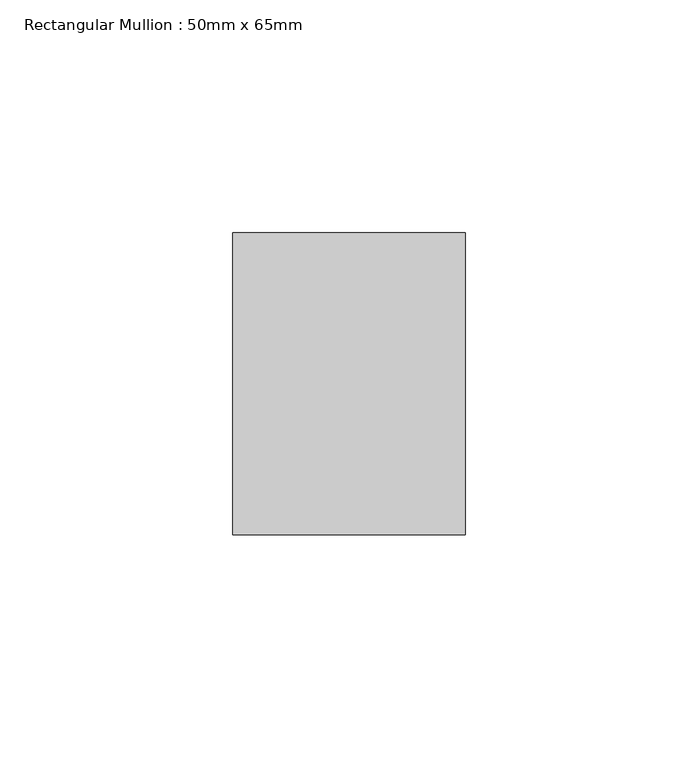
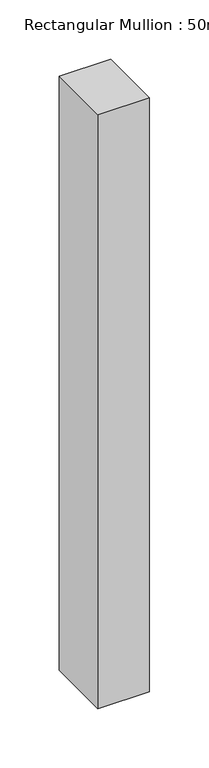
"""IFC4 building model written with IfcOpenShell, lengths in millimetres: member geometry, Rectangular Mullion : 50mm x 65mm."""

from ifc_helpers import new_model, si_unit, frame, origin, place, context, project, spatial, polyline, outline, extrude, source, transform, mapped, element, save


def rectangular_mullion_50mm_x_65mm_6b8de103(model_context):
    return source(origin(), model_context, "Body", "SweptSolid", [
        extrude(outline(polyline([(25.0, 32.5), (25.0, -32.5), (-25.0, -32.5), (-25.0, 32.5), (25.0, 32.5)])), frame((0.0, 0.0, -610.7645489), z_axis=(0.0, 0.0, 1.0), x_axis=(1.0, 0.0, 0.0)), (0.0, 0.0, 1.0), 610.7645489),
    ])


if __name__ == "__main__":
    model = new_model("IFC4")
    model_context = context("Model", 3, world=origin())
    ifc_project = project(units=[si_unit("LENGTHUNIT", "METRE", prefix="MILLI")], contexts=[model_context])
    site = spatial("IfcSite", under=ifc_project)
    building = spatial("IfcBuilding", under=site)
    placement = place(None, origin())
    rectangular_mullion_50mm_x_65mm_shape = rectangular_mullion_50mm_x_65mm_6b8de103(model_context)
    element("IfcMember", 1, ObjectType="Rectangular Mullion : 50mm x 65mm", at=placement, inside=building, context=model_context, shape_type="MappedRepresentation", body=[
        mapped(rectangular_mullion_50mm_x_65mm_shape, transform((0.0, 0.0, 0.0), x_axis=(1.0, 0.0, 0.0), y_axis=(0.0, 1.0, 0.0), z_axis=(0.0, 0.0, 1.0))),
    ])
    save(model, "model.ifc")
